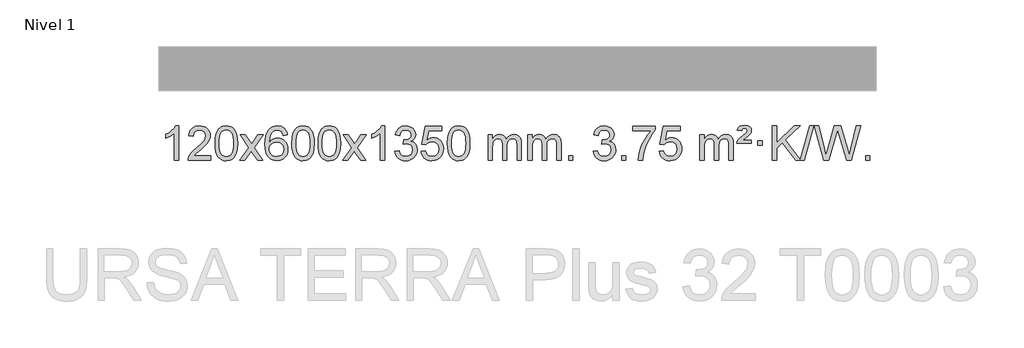
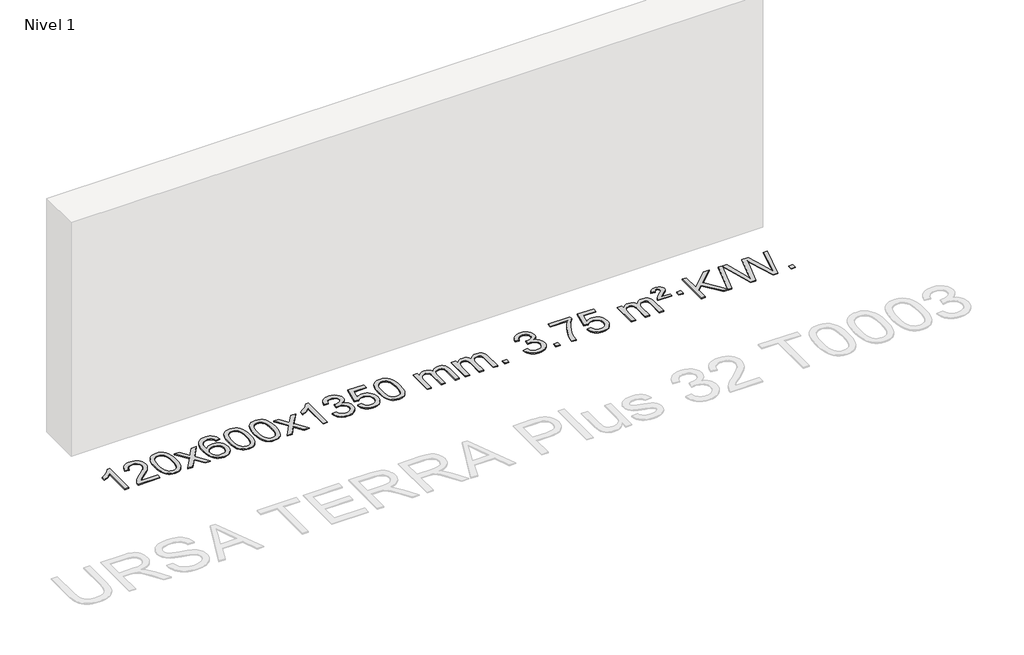
# One storey, part 3 of 15: 1 proxy.
"""IFC4 building model written with IfcOpenShell, lengths in millimetres."""

from ifc_helpers import new_model, si_unit, origin, origin_with_axes, place, context, project, spatial, polyline, outline, extrude, element, save

model = new_model("IFC4")

# Units and contexts
model_context = context("Model", 3, world=origin())
ifc_project = project(units=[si_unit("LENGTHUNIT", "METRE", prefix="MILLI")], contexts=[model_context])

# Site, building, storey
site = spatial("IfcSite", under=ifc_project)
building = spatial("IfcBuilding", under=site)
storey = spatial("IfcBuildingStorey", under=building, Name="Nivel 1", Elevation=0.0)

# Proxy
placement = place(None, origin())
element("IfcBuildingElementProxy", 1, Name="Texto de modelo 1", ObjectType="Texto de modelo 1", at=placement, inside=storey, context=model_context, shape_type="SweptSolid", body=[
    extrude(outline(polyline([(-25945.4422492, -12784.6168569), (-25995.6704043, -12784.6168569), (-25995.6704043, -12471.4757026), (-26016.639678, -12488.4350626), (-26043.249809, -12505.3698971), (-26096.1267145, -12530.7292293), (-26096.1267145, -12483.2479264), (-26056.6775018, -12461.7881434), (-26022.5012645, -12436.2571329), (-25995.5600397, -12409.1074417), (-25977.8158648, -12382.7916163), (-25945.4422492, -12382.7916163), (-25945.4422492, -12784.6168569)])), origin_with_axes(), (0.0, 0.0, 1.0), 10.0),
    extrude(outline(polyline([(-25568.7310862, -12734.3887018), (-25568.7310862, -12784.6168569), (-25832.4289003, -12784.6168569), (-25831.3252543, -12766.9339956), (-25827.0332977, -12749.9868984), (-25814.6479372, -12722.9230463), (-25796.5236176, -12696.6685346), (-25770.3058941, -12669.1877495), (-25733.6403219, -12638.4450775), (-25679.4390413, -12590.301587), (-25646.9182729, -12554.7641863), (-25630.6578887, -12525.9222379), (-25625.2377606, -12497.8651044), (-25630.3513204, -12472.7142386), (-25645.6919996, -12451.8062786), (-25669.2732355, -12437.7163982), (-25699.1084653, -12433.0197713), (-25730.4397485, -12437.6060336), (-25754.7812739, -12451.3648202), (-25770.4898351, -12473.2170107), (-25775.9222259, -12502.0834846), (-25826.1503809, -12495.8049652), (-25821.8308332, -12469.8754159), (-25813.9734869, -12447.2200164), (-25802.5783421, -12427.8387666), (-25787.6453988, -12411.7316666), (-25769.5180135, -12399.0703946), (-25748.5395427, -12390.0266288), (-25724.7099864, -12384.6003694), (-25698.0293447, -12382.7916163), (-25671.1095797, -12384.8027045), (-25647.1512648, -12390.8359692), (-25626.1543999, -12400.8914104), (-25608.1189851, -12414.9690281), (-25593.6336316, -12432.02649), (-25583.2869504, -12451.0214636), (-25577.0789418, -12471.9539492), (-25575.0096056, -12494.8239465), (-25577.241423, -12518.8466408), (-25583.9368753, -12542.4524022), (-25595.8194638, -12566.4628337), (-25613.6126896, -12591.6995386), (-25641.9763914, -12621.829074), (-25685.5704078, -12660.5179972), (-25743.3524066, -12708.8331659), (-25766.0139375, -12734.3887018), (-25568.7310862, -12734.3887018)])), origin_with_axes(), (0.0, 0.0, 1.0), 10.0),
    extrude(outline(polyline([(-25518.5029311, -12586.9415981), (-25514.8118484, -12522.6235626), (-25503.7386004, -12471.3285498), (-25485.3935515, -12432.2717446), (-25473.5354886, -12417.0383643), (-25459.8870665, -12404.6683323), (-25444.4023002, -12395.097269), (-25427.0352044, -12388.2607953), (-25386.654024, -12382.7916163), (-25355.7028855, -12386.0289778), (-25327.9891085, -12395.7410625), (-25304.8125428, -12411.5477256), (-25287.4730381, -12433.0688223), (-25274.3764391, -12460.1204117), (-25263.9285904, -12492.5185527), (-25257.0859853, -12533.6600225), (-25254.805117, -12586.9415981), (-25258.4594114, -12650.8917516), (-25269.4222949, -12702.0641372), (-25287.6569791, -12741.1577305), (-25299.487451, -12756.437096), (-25313.1266759, -12768.8715075), (-25328.6298363, -12778.5069501), (-25346.0521145, -12785.3894091), (-25386.654024, -12790.8953763), (-25414.3187501, -12788.5041433), (-25438.8442164, -12781.3304444), (-25460.2304231, -12769.3742795), (-25478.47737, -12752.6356488), (-25495.988553, -12722.3773547), (-25508.4965408, -12684.6755815), (-25516.0013335, -12639.5303293), (-25518.5029311, -12586.9415981)]), holes=[polyline([(-25468.274776, -12586.8434963), (-25466.803248, -12630.5080234), (-25462.3886641, -12665.8522861), (-25455.0310242, -12692.8762843), (-25444.7303283, -12711.5800181), (-25432.2713914, -12724.3056694), (-25418.4390284, -12733.3954204), (-25403.2332393, -12738.849271), (-25386.654024, -12740.6672212), (-25370.0748088, -12738.8431396), (-25354.8690196, -12733.3708949), (-25341.0366566, -12724.2504871), (-25328.5777197, -12711.4819162), (-25318.2770239, -12692.7475256), (-25310.919384, -12665.7296588), (-25306.5048, -12630.4283156), (-25305.033272, -12586.8434963), (-25306.4557491, -12544.3347317), (-25310.7231802, -12509.6128027), (-25317.8355655, -12482.6777093), (-25327.7929048, -12463.5294515), (-25340.0433752, -12450.1814664), (-25354.0351538, -12440.6471914), (-25369.7682404, -12434.9266264), (-25387.2426352, -12433.0197713), (-25403.7360113, -12434.6997658), (-25418.6842831, -12439.7397491), (-25432.0874504, -12448.1397213), (-25443.9455134, -12459.8996825), (-25454.5895658, -12480.7463289), (-25462.1924604, -12508.8525133), (-25466.7541971, -12544.2182358), (-25468.274776, -12586.8434963)])]), origin_with_axes(), (0.0, 0.0, 1.0), 10.0),
    extrude(outline(polyline([(-25229.6910394, -12784.6168569), (-25122.3675987, -12636.2868364), (-25223.41252, -12489.5264458), (-25162.981771, -12489.5264458), (-25114.2251439, -12560.1597889), (-25091.4655111, -12593.5144231), (-25071.7470362, -12566.2421045), (-25016.2213804, -12489.5264458), (-24955.7906313, -12489.5264458), (-25061.9368496, -12636.2868364), (-24959.7147059, -12784.6168569), (-25020.145455, -12784.6168569), (-25081.6553246, -12695.4422612), (-25092.9370391, -12679.1573516), (-25169.2602903, -12784.6168569), (-25229.6910394, -12784.6168569)])), origin_with_axes(), (0.0, 0.0, 1.0), 10.0),
    extrude(outline(polyline([(-24670.9028142, -12489.5264458), (-24721.1309693, -12495.8049652), (-24729.2243732, -12470.9116168), (-24740.1627312, -12453.9154687), (-24762.9468894, -12438.2436957), (-24790.4889881, -12433.0197713), (-24813.8372321, -12436.0609292), (-24835.8120499, -12445.1844027), (-24854.6843963, -12464.4001055), (-24870.0986519, -12490.850821), (-24880.5097123, -12528.2644199), (-24884.3724733, -12580.3687731), (-24864.2248027, -12556.8611137), (-24840.0794811, -12540.2941611), (-24813.2854091, -12530.4717119), (-24785.1914874, -12527.1975621), (-24761.0584285, -12529.4355109), (-24738.7893051, -12536.1493573), (-24718.3841171, -12547.3391013), (-24699.8428645, -12563.004743), (-24684.4347403, -12582.2143145), (-24673.4289372, -12604.0358482), (-24666.8254554, -12628.469344), (-24664.6242948, -12655.514802), (-24668.7690986, -12691.4813984), (-24681.2035101, -12724.8237699), (-24700.8974596, -12753.1016326), (-24726.8208775, -12773.8747026), (-24757.7965415, -12786.6402078), (-24792.6472291, -12790.8953763), (-24822.5897579, -12788.0749476), (-24849.6321502, -12779.6136617), (-24873.7744061, -12765.5115186), (-24895.0165257, -12745.7685182), (-24912.3345706, -12719.5507947), (-24924.7046027, -12686.0244822), (-24932.1266219, -12645.1895807), (-24934.6006284, -12597.0460903), (-24931.8537761, -12543.0716702), (-24923.6132194, -12497.006713), (-24909.8789583, -12458.8512188), (-24890.6509927, -12428.6051874), (-24869.8104776, -12408.56175), (-24845.6467619, -12394.2450091), (-24818.1598455, -12385.6549645), (-24787.3497284, -12382.7916163), (-24764.2160823, -12384.5635812), (-24743.2774654, -12389.879476), (-24724.5338777, -12398.7393008), (-24707.9853193, -12411.1430554), (-24694.0793799, -12426.6738069), (-24683.2636492, -12444.9146225), (-24675.5381274, -12465.8655021), (-24670.9028142, -12489.5264458)]), holes=[polyline([(-24884.3724733, -12654.7299871), (-24881.4662055, -12676.9868478), (-24872.7474022, -12698.2381644), (-24859.2093448, -12716.5096368), (-24841.8453146, -12729.8269651), (-24820.8883036, -12737.9571571), (-24796.5713038, -12740.6672212), (-24763.425136, -12735.0508894), (-24749.5099995, -12728.0304746), (-24737.366828, -12718.201894), (-24727.5167876, -12705.9636863), (-24720.4810444, -12691.7143904), (-24714.8524499, -12657.1825337), (-24720.407468, -12624.036366), (-24727.3512407, -12610.4155351), (-24737.0725224, -12598.7628729), (-24749.2524821, -12589.4278673), (-24763.5722888, -12582.7600061), (-24798.6314429, -12577.4257172), (-24831.7285598, -12582.7600061), (-24859.4055485, -12598.7628729), (-24870.3285781, -12610.2622509), (-24878.1307421, -12623.4232293), (-24882.8120405, -12638.245808), (-24884.3724733, -12654.7299871)])]), origin_with_axes(), (0.0, 0.0, 1.0), 10.0),
    extrude(outline(polyline([(-24620.6746591, -12586.9415981), (-24616.9835765, -12522.6235626), (-24605.9103284, -12471.3285498), (-24587.5652796, -12432.2717446), (-24575.7072166, -12417.0383643), (-24562.0587946, -12404.6683323), (-24546.5740283, -12395.097269), (-24529.2069324, -12388.2607953), (-24488.8257521, -12382.7916163), (-24457.8746135, -12386.0289778), (-24430.1608366, -12395.7410625), (-24406.9842709, -12411.5477256), (-24389.6447662, -12433.0688223), (-24376.5481671, -12460.1204117), (-24366.1003185, -12492.5185527), (-24359.2577134, -12533.6600225), (-24356.976845, -12586.9415981), (-24360.6311395, -12650.8917516), (-24371.5940229, -12702.0641372), (-24389.8287072, -12741.1577305), (-24401.659179, -12756.437096), (-24415.298404, -12768.8715075), (-24430.8015644, -12778.5069501), (-24448.2238425, -12785.3894091), (-24488.8257521, -12790.8953763), (-24516.4904781, -12788.5041433), (-24541.0159444, -12781.3304444), (-24562.4021511, -12769.3742795), (-24580.6490981, -12752.6356488), (-24598.160281, -12722.3773547), (-24610.6682689, -12684.6755815), (-24618.1730616, -12639.5303293), (-24620.6746591, -12586.9415981)]), holes=[polyline([(-24570.4465041, -12586.8434963), (-24568.9749761, -12630.5080234), (-24564.5603921, -12665.8522861), (-24557.2027522, -12692.8762843), (-24546.9020564, -12711.5800181), (-24534.4431195, -12724.3056694), (-24520.6107564, -12733.3954204), (-24505.4049673, -12738.849271), (-24488.8257521, -12740.6672212), (-24472.2465368, -12738.8431396), (-24457.0407477, -12733.3708949), (-24443.2083847, -12724.2504871), (-24430.7494478, -12711.4819162), (-24420.4487519, -12692.7475256), (-24413.091112, -12665.7296588), (-24408.676528, -12630.4283156), (-24407.2050001, -12586.8434963), (-24408.6274771, -12544.3347317), (-24412.8949083, -12509.6128027), (-24420.0072935, -12482.6777093), (-24429.9646328, -12463.5294515), (-24442.2151033, -12450.1814664), (-24456.2068818, -12440.6471914), (-24471.9399685, -12434.9266264), (-24489.4143633, -12433.0197713), (-24505.9077394, -12434.6997658), (-24520.8560111, -12439.7397491), (-24534.2591785, -12448.1397213), (-24546.1172414, -12459.8996825), (-24556.7612938, -12480.7463289), (-24564.3641884, -12508.8525133), (-24568.9259251, -12544.2182358), (-24570.4465041, -12586.8434963)])]), origin_with_axes(), (0.0, 0.0, 1.0), 10.0),
    extrude(outline(polyline([(-24313.0272093, -12586.9415981), (-24309.3361266, -12522.6235626), (-24298.2628786, -12471.3285498), (-24279.9178297, -12432.2717446), (-24268.0597668, -12417.0383643), (-24254.4113447, -12404.6683323), (-24238.9265784, -12395.097269), (-24221.5594826, -12388.2607953), (-24181.1783022, -12382.7916163), (-24150.2271637, -12386.0289778), (-24122.5133867, -12395.7410625), (-24099.336821, -12411.5477256), (-24081.9973163, -12433.0688223), (-24068.9007173, -12460.1204117), (-24058.4528686, -12492.5185527), (-24051.6102635, -12533.6600225), (-24049.3293952, -12586.9415981), (-24052.9836896, -12650.8917516), (-24063.9465731, -12702.0641372), (-24082.1812573, -12741.1577305), (-24094.0117292, -12756.437096), (-24107.6509541, -12768.8715075), (-24123.1541145, -12778.5069501), (-24140.5763927, -12785.3894091), (-24181.1783022, -12790.8953763), (-24208.8430283, -12788.5041433), (-24233.3684946, -12781.3304444), (-24254.7547013, -12769.3742795), (-24273.0016482, -12752.6356488), (-24290.5128312, -12722.3773547), (-24303.020819, -12684.6755815), (-24310.5256117, -12639.5303293), (-24313.0272093, -12586.9415981)]), holes=[polyline([(-24262.7990542, -12586.8434963), (-24261.3275262, -12630.5080234), (-24256.9129423, -12665.8522861), (-24249.5553024, -12692.8762843), (-24239.2546065, -12711.5800181), (-24226.7956696, -12724.3056694), (-24212.9633066, -12733.3954204), (-24197.7575175, -12738.849271), (-24181.1783022, -12740.6672212), (-24164.599087, -12738.8431396), (-24149.3932978, -12733.3708949), (-24135.5609348, -12724.2504871), (-24123.1019979, -12711.4819162), (-24112.8013021, -12692.7475256), (-24105.4436622, -12665.7296588), (-24101.0290782, -12630.4283156), (-24099.5575502, -12586.8434963), (-24100.9800273, -12544.3347317), (-24105.2474584, -12509.6128027), (-24112.3598437, -12482.6777093), (-24122.317183, -12463.5294515), (-24134.5676534, -12450.1814664), (-24148.559432, -12440.6471914), (-24164.2925187, -12434.9266264), (-24181.7669134, -12433.0197713), (-24198.2602895, -12434.6997658), (-24213.2085613, -12439.7397491), (-24226.6117286, -12448.1397213), (-24238.4697916, -12459.8996825), (-24249.113844, -12480.7463289), (-24256.7167386, -12508.8525133), (-24261.2784753, -12544.2182358), (-24262.7990542, -12586.8434963)])]), origin_with_axes(), (0.0, 0.0, 1.0), 10.0),
    extrude(outline(polyline([(-24024.2153176, -12784.6168569), (-23916.8918769, -12636.2868364), (-24017.9367982, -12489.5264458), (-23957.5060492, -12489.5264458), (-23908.7494221, -12560.1597889), (-23885.9897893, -12593.5144231), (-23866.2713144, -12566.2421045), (-23810.7456586, -12489.5264458), (-23750.3149095, -12489.5264458), (-23856.4611278, -12636.2868364), (-23754.2389841, -12784.6168569), (-23814.6697332, -12784.6168569), (-23876.1796028, -12695.4422612), (-23887.4613173, -12679.1573516), (-23963.7845685, -12784.6168569), (-24024.2153176, -12784.6168569)])), origin_with_axes(), (0.0, 0.0, 1.0), 10.0),
    extrude(outline(polyline([(-23534.4908056, -12784.6168569), (-23584.7189607, -12784.6168569), (-23584.7189607, -12471.4757026), (-23605.6882344, -12488.4350626), (-23632.2983654, -12505.3698971), (-23685.1752709, -12530.7292293), (-23685.1752709, -12483.2479264), (-23645.7260583, -12461.7881434), (-23611.5498209, -12436.2571329), (-23584.6085961, -12409.1074417), (-23566.8644212, -12382.7916163), (-23534.4908056, -12382.7916163), (-23534.4908056, -12784.6168569)])), origin_with_axes(), (0.0, 0.0, 1.0), 10.0),
    extrude(outline(polyline([(-23415.1989373, -12677.8820273), (-23364.9707823, -12671.603508), (-23353.7258559, -12703.1677831), (-23337.2570053, -12724.4804134), (-23314.7548899, -12736.6205192), (-23285.4101694, -12740.6672212), (-23250.9764147, -12735.0999403), (-23236.7025933, -12728.1408392), (-23224.3908092, -12718.3980977), (-23207.394661, -12693.4802239), (-23201.7292783, -12663.2648494), (-23207.3456101, -12634.5823165), (-23224.1946054, -12611.3199117), (-23249.7010904, -12595.9056561), (-23281.2898911, -12590.7675709), (-23316.5084608, -12596.2612753), (-23310.9166544, -12546.0331203), (-23302.8723015, -12546.6217315), (-23272.7795543, -12543.0164879), (-23245.8751177, -12532.2007572), (-23234.8018696, -12524.0215142), (-23226.8924067, -12513.9047594), (-23222.146729, -12501.8504926), (-23220.5648364, -12487.8587141), (-23225.1510986, -12466.1659391), (-23238.9098853, -12448.568917), (-23259.9036844, -12436.9070578), (-23286.1949844, -12433.0197713), (-23312.5353352, -12436.943846), (-23334.0686947, -12448.7160698), (-23349.7895186, -12468.3364429), (-23358.6922629, -12495.8049652), (-23408.920418, -12489.5264458), (-23402.966861, -12465.5466711), (-23394.1315618, -12444.4241132), (-23382.4145202, -12426.1587721), (-23367.8157364, -12410.7506479), (-23350.7950627, -12398.5185716), (-23331.8123518, -12389.7813742), (-23310.8676035, -12384.5390557), (-23287.9608179, -12382.7916163), (-23256.38428, -12386.2374443), (-23227.3829161, -12396.5749284), (-23202.9310261, -12412.8843635), (-23185.0029102, -12434.2460447), (-23174.0032386, -12458.8573501), (-23170.3366814, -12484.9156581), (-23173.8192976, -12509.1958698), (-23184.2671462, -12531.2197386), (-23201.5330745, -12549.9817203), (-23225.4699297, -12564.476271), (-23194.0282818, -12577.1804625), (-23170.7290888, -12598.8119238), (-23156.3081146, -12628.1934325), (-23151.5011232, -12664.1477662), (-23153.9046189, -12689.6297257), (-23161.115106, -12713.100597), (-23173.1325845, -12734.5603801), (-23189.9570544, -12754.0090749), (-23210.4542129, -12770.1468317), (-23233.4897572, -12781.6738009), (-23259.0636872, -12788.5899824), (-23287.176003, -12790.8953763), (-23312.5843862, -12788.9272076), (-23335.7364264, -12783.0227016), (-23356.6321237, -12773.1818582), (-23375.2714781, -12759.4046775), (-23390.9003316, -12742.5004998), (-23402.7645259, -12723.2786655), (-23410.8640612, -12701.7391747), (-23415.1989373, -12677.8820273)])), origin_with_axes(), (0.0, 0.0, 1.0), 10.0),
    extrude(outline(polyline([(-23107.5514875, -12677.8820273), (-23057.3233324, -12671.603508), (-23048.1017571, -12701.7575688), (-23032.0130512, -12723.3522419), (-23009.1307911, -12736.3384764), (-22979.5285532, -12740.6672212), (-22960.3986894, -12739.1619707), (-22943.5251686, -12734.6462192), (-22928.9079907, -12727.1199667), (-22916.5471556, -12716.5832132), (-22906.718575, -12703.5571249), (-22899.6981602, -12688.5628679), (-22894.0818284, -12652.6698479), (-22899.342541, -12618.8737553), (-22905.9184316, -12604.9555532), (-22915.1246786, -12593.0239138), (-22926.9919386, -12583.4528505), (-22941.5508686, -12576.6163768), (-22978.7437383, -12571.1471978), (-23003.1097891, -12573.3299643), (-23022.8405268, -12579.8782638), (-23038.5981389, -12589.9091796), (-23051.044813, -12602.5397947), (-23101.2729681, -12596.2612753), (-23057.3233324, -12389.0701357), (-22862.6892315, -12389.0701357), (-22862.6892315, -12439.2982907), (-23016.7091602, -12439.2982907), (-23038.1934687, -12549.9571949), (-23020.4676879, -12537.2530033), (-23002.3127114, -12528.1785808), (-22983.7285393, -12522.7339272), (-22964.7151715, -12520.9190427), (-22940.2540845, -12523.1692543), (-22917.7856917, -12529.9198889), (-22897.3099929, -12541.1709466), (-22878.8269884, -12556.9224273), (-22863.5261631, -12576.2117066), (-22852.5970021, -12598.0761598), (-22846.0395056, -12622.5157871), (-22843.8536734, -12649.5305882), (-22845.821842, -12675.552108), (-22851.7263481, -12699.7587433), (-22861.5671914, -12722.1504941), (-22875.3443722, -12742.7273604), (-22896.215544, -12763.8008673), (-22920.5693321, -12778.8533723), (-22948.4057364, -12787.8848753), (-22979.7247569, -12790.8953763), (-23005.6451092, -12788.9609301), (-23029.0577325, -12783.1575916), (-23049.9626268, -12773.4853608), (-23068.3597923, -12759.9442377), (-23083.666749, -12743.2086726), (-23095.3010171, -12723.9531159), (-23103.2625966, -12702.1775674), (-23107.5514875, -12677.8820273)])), origin_with_axes(), (0.0, 0.0, 1.0), 10.0),
    extrude(outline(polyline([(-22799.9040377, -12586.9415981), (-22796.212955, -12522.6235626), (-22785.1397069, -12471.3285498), (-22766.7946581, -12432.2717446), (-22754.9365951, -12417.0383643), (-22741.2881731, -12404.6683323), (-22725.8034068, -12395.097269), (-22708.4363109, -12388.2607953), (-22668.0551306, -12382.7916163), (-22637.1039921, -12386.0289778), (-22609.3902151, -12395.7410625), (-22586.2136494, -12411.5477256), (-22568.8741447, -12433.0688223), (-22555.7775457, -12460.1204117), (-22545.329697, -12492.5185527), (-22538.4870919, -12533.6600225), (-22536.2062235, -12586.9415981), (-22539.860518, -12650.8917516), (-22550.8234015, -12702.0641372), (-22569.0580857, -12741.1577305), (-22580.8885575, -12756.437096), (-22594.5277825, -12768.8715075), (-22610.0309429, -12778.5069501), (-22627.4532211, -12785.3894091), (-22668.0551306, -12790.8953763), (-22695.7198566, -12788.5041433), (-22720.245323, -12781.3304444), (-22741.6315296, -12769.3742795), (-22759.8784766, -12752.6356488), (-22777.3896596, -12722.3773547), (-22789.8976474, -12684.6755815), (-22797.4024401, -12639.5303293), (-22799.9040377, -12586.9415981)]), holes=[polyline([(-22749.6758826, -12586.8434963), (-22748.2043546, -12630.5080234), (-22743.7897707, -12665.8522861), (-22736.4321308, -12692.8762843), (-22726.1314349, -12711.5800181), (-22713.672498, -12724.3056694), (-22699.840135, -12733.3954204), (-22684.6343459, -12738.849271), (-22668.0551306, -12740.6672212), (-22651.4759154, -12738.8431396), (-22636.2701262, -12733.3708949), (-22622.4377632, -12724.2504871), (-22609.9788263, -12711.4819162), (-22599.6781304, -12692.7475256), (-22592.3204905, -12665.7296588), (-22587.9059066, -12630.4283156), (-22586.4343786, -12586.8434963), (-22587.8568557, -12544.3347317), (-22592.1242868, -12509.6128027), (-22599.236672, -12482.6777093), (-22609.1940114, -12463.5294515), (-22621.4444818, -12450.1814664), (-22635.4362604, -12440.6471914), (-22651.169347, -12434.9266264), (-22668.6437418, -12433.0197713), (-22685.1371179, -12434.6997658), (-22700.0853897, -12439.7397491), (-22713.488557, -12448.1397213), (-22725.34662, -12459.8996825), (-22735.9906724, -12480.7463289), (-22743.5935669, -12508.8525133), (-22748.1553037, -12544.2182358), (-22749.6758826, -12586.8434963)])]), origin_with_axes(), (0.0, 0.0, 1.0), 10.0),
    extrude(outline(polyline([(-22322.7365645, -12784.6168569), (-22322.7365645, -12489.5264458), (-22272.5084094, -12489.5264458), (-22272.5084094, -12538.0868692), (-22257.4007221, -12515.7809575), (-22237.9765528, -12498.3065628), (-22214.8980889, -12487.0125855), (-22188.8275182, -12483.2479264), (-22160.8930121, -12487.0861619), (-22138.5012613, -12498.6008684), (-22121.7748932, -12517.0317563), (-22110.8365352, -12541.6185363), (-22092.5282746, -12516.0813945), (-22071.64484, -12497.8405789), (-22048.1862315, -12486.8960895), (-22022.1524489, -12483.2479264), (-22002.0446322, -12484.7654397), (-21984.3954935, -12489.3179793), (-21969.2050328, -12496.9055455), (-21956.4732501, -12507.5281381), (-21946.4086118, -12521.3083845), (-21939.2195845, -12538.368912), (-21934.9061681, -12558.7097207), (-21933.4683626, -12582.3308105), (-21933.4683626, -12784.6168569), (-21983.6965177, -12784.6168569), (-21983.6965177, -12603.9132208), (-21984.8614774, -12578.860457), (-21988.3563563, -12561.9746734), (-21994.9046558, -12550.410916), (-22005.2298772, -12541.3242307), (-22018.5104172, -12535.4381188), (-22033.9246728, -12533.4760815), (-22061.1356777, -12538.5038021), (-22083.318962, -12553.5869639), (-22091.924335, -12565.1568526), (-22098.07103, -12579.7556365), (-22102.988386, -12618.0398895), (-22102.988386, -12784.6168569), (-22153.2165411, -12784.6168569), (-22153.2165411, -12598.3214145), (-22156.1228088, -12569.9209245), (-22164.8416121, -12549.6628893), (-22180.1822913, -12537.5227834), (-22202.9541868, -12533.4760815), (-22222.3047798, -12536.1738828), (-22240.1347938, -12544.2672867), (-22254.8500736, -12557.5600894), (-22264.8564639, -12575.8560873), (-22270.595423, -12601.239945), (-22272.5084094, -12635.7963271), (-22272.5084094, -12784.6168569), (-22322.7365645, -12784.6168569)])), origin_with_axes(), (0.0, 0.0, 1.0), 10.0),
    extrude(outline(polyline([(-21858.12613, -12784.6168569), (-21858.12613, -12489.5264458), (-21807.8979749, -12489.5264458), (-21807.8979749, -12538.0868692), (-21792.7902877, -12515.7809575), (-21773.3661183, -12498.3065628), (-21750.2876545, -12487.0125855), (-21724.2170838, -12483.2479264), (-21696.2825776, -12487.0861619), (-21673.8908268, -12498.6008684), (-21657.1644588, -12517.0317563), (-21646.2261008, -12541.6185363), (-21627.9178402, -12516.0813945), (-21607.0344056, -12497.8405789), (-21583.575797, -12486.8960895), (-21557.5420145, -12483.2479264), (-21537.4341978, -12484.7654397), (-21519.7850591, -12489.3179793), (-21504.5945983, -12496.9055455), (-21491.8628156, -12507.5281381), (-21481.7981774, -12521.3083845), (-21474.6091501, -12538.368912), (-21470.2957337, -12558.7097207), (-21468.8579282, -12582.3308105), (-21468.8579282, -12784.6168569), (-21519.0860833, -12784.6168569), (-21519.0860833, -12603.9132208), (-21520.2510429, -12578.860457), (-21523.7459219, -12561.9746734), (-21530.2942214, -12550.410916), (-21540.6194427, -12541.3242307), (-21553.8999827, -12535.4381188), (-21569.3142383, -12533.4760815), (-21596.5252433, -12538.5038021), (-21618.7085276, -12553.5869639), (-21627.3139006, -12565.1568526), (-21633.4605956, -12579.7556365), (-21638.3779516, -12618.0398895), (-21638.3779516, -12784.6168569), (-21688.6061066, -12784.6168569), (-21688.6061066, -12598.3214145), (-21691.5123744, -12569.9209245), (-21700.2311777, -12549.6628893), (-21715.5718569, -12537.5227834), (-21738.3437524, -12533.4760815), (-21757.6943453, -12536.1738828), (-21775.5243594, -12544.2672867), (-21790.2396392, -12557.5600894), (-21800.2460294, -12575.8560873), (-21805.9849886, -12601.239945), (-21807.8979749, -12635.7963271), (-21807.8979749, -12784.6168569), (-21858.12613, -12784.6168569)])), origin_with_axes(), (0.0, 0.0, 1.0), 10.0),
    extrude(outline(polyline([(-21380.9586568, -12784.6168569), (-21380.9586568, -12734.3887018), (-21330.7305017, -12734.3887018), (-21330.7305017, -12784.6168569), (-21380.9586568, -12784.6168569)])), origin_with_axes(), (0.0, 0.0, 1.0), 10.0),
    extrude(outline(polyline([(-21092.1467651, -12677.8820273), (-21041.9186101, -12671.603508), (-21030.6736837, -12703.1677831), (-21014.2048331, -12724.4804134), (-20991.7027177, -12736.6205192), (-20962.3579972, -12740.6672212), (-20927.9242425, -12735.0999403), (-20913.6504211, -12728.1408392), (-20901.338637, -12718.3980977), (-20884.3424888, -12693.4802239), (-20878.6771061, -12663.2648494), (-20884.2934379, -12634.5823165), (-20901.1424332, -12611.3199117), (-20926.6489182, -12595.9056561), (-20958.2377189, -12590.7675709), (-20993.4562886, -12596.2612753), (-20987.8644822, -12546.0331203), (-20979.8201293, -12546.6217315), (-20949.7273821, -12543.0164879), (-20922.8229455, -12532.2007572), (-20911.7496974, -12524.0215142), (-20903.8402345, -12513.9047594), (-20899.0945568, -12501.8504926), (-20897.5126642, -12487.8587141), (-20902.0989264, -12466.1659391), (-20915.857713, -12448.568917), (-20936.8515122, -12436.9070578), (-20963.1428122, -12433.0197713), (-20989.483163, -12436.943846), (-21011.0165225, -12448.7160698), (-21026.7373464, -12468.3364429), (-21035.6400907, -12495.8049652), (-21085.8682457, -12489.5264458), (-21079.9146888, -12465.5466711), (-21071.0793895, -12444.4241132), (-21059.362348, -12426.1587721), (-21044.7635642, -12410.7506479), (-21027.7428905, -12398.5185716), (-21008.7601796, -12389.7813742), (-20987.8154313, -12384.5390557), (-20964.9086457, -12382.7916163), (-20933.3321078, -12386.2374443), (-20904.3307439, -12396.5749284), (-20879.8788539, -12412.8843635), (-20861.950738, -12434.2460447), (-20850.9510664, -12458.8573501), (-20847.2845091, -12484.9156581), (-20850.7671254, -12509.1958698), (-20861.214974, -12531.2197386), (-20878.4809023, -12549.9817203), (-20902.4177575, -12564.476271), (-20870.9761096, -12577.1804625), (-20847.6769166, -12598.8119238), (-20833.2559424, -12628.1934325), (-20828.448951, -12664.1477662), (-20830.8524467, -12689.6297257), (-20838.0629338, -12713.100597), (-20850.0804123, -12734.5603801), (-20866.9048822, -12754.0090749), (-20887.4020407, -12770.1468317), (-20910.437585, -12781.6738009), (-20936.011515, -12788.5899824), (-20964.1238308, -12790.8953763), (-20989.5322139, -12788.9272076), (-21012.6842542, -12783.0227016), (-21033.5799515, -12773.1818582), (-21052.2193059, -12759.4046775), (-21067.8481593, -12742.5004998), (-21079.7123537, -12723.2786655), (-21087.811889, -12701.7391747), (-21092.1467651, -12677.8820273)])), origin_with_axes(), (0.0, 0.0, 1.0), 10.0),
    extrude(outline(polyline([(-20759.3852378, -12784.6168569), (-20759.3852378, -12734.3887018), (-20709.1570827, -12734.3887018), (-20709.1570827, -12784.6168569), (-20759.3852378, -12784.6168569)])), origin_with_axes(), (0.0, 0.0, 1.0), 10.0),
    extrude(outline(polyline([(-20627.5363307, -12439.2982907), (-20627.5363307, -12389.0701357), (-20363.8385165, -12389.0701357), (-20363.8385165, -12429.6843079), (-20401.4237937, -12477.2514499), (-20438.6411889, -12537.7435126), (-20471.4685256, -12605.6422662), (-20495.8836273, -12675.4294807), (-20507.8520549, -12727.6441985), (-20514.5229818, -12784.6168569), (-20564.7511368, -12784.6168569), (-20559.3187461, -12732.8435974), (-20544.7874072, -12671.3092024), (-20521.5495279, -12606.0837246), (-20489.9975154, -12543.2372171), (-20453.160265, -12486.4239743), (-20414.0666716, -12439.2982907), (-20627.5363307, -12439.2982907)])), origin_with_axes(), (0.0, 0.0, 1.0), 10.0),
    extrude(outline(polyline([(-20319.8888809, -12677.8820273), (-20269.6607258, -12671.603508), (-20260.4391504, -12701.7575688), (-20244.3504445, -12723.3522419), (-20221.4681844, -12736.3384764), (-20191.8659465, -12740.6672212), (-20172.7360828, -12739.1619707), (-20155.8625619, -12734.6462192), (-20141.245384, -12727.1199667), (-20128.884549, -12716.5832132), (-20119.0559683, -12703.5571249), (-20112.0355536, -12688.5628679), (-20106.4192218, -12652.6698479), (-20111.6799343, -12618.8737553), (-20118.255825, -12604.9555532), (-20127.4620719, -12593.0239138), (-20139.3293319, -12583.4528505), (-20153.8882619, -12576.6163768), (-20191.0811316, -12571.1471978), (-20215.4471824, -12573.3299643), (-20235.1779201, -12579.8782638), (-20250.9355322, -12589.9091796), (-20263.3822064, -12602.5397947), (-20313.6103615, -12596.2612753), (-20269.6607258, -12389.0701357), (-20075.0266249, -12389.0701357), (-20075.0266249, -12439.2982907), (-20229.0465535, -12439.2982907), (-20250.530862, -12549.9571949), (-20232.8050812, -12537.2530033), (-20214.6501048, -12528.1785808), (-20196.0659326, -12522.7339272), (-20177.0525649, -12520.9190427), (-20152.5914779, -12523.1692543), (-20130.123085, -12529.9198889), (-20109.6473863, -12541.1709466), (-20091.1643817, -12556.9224273), (-20075.8635564, -12576.2117066), (-20064.9343955, -12598.0761598), (-20058.3768989, -12622.5157871), (-20056.1910667, -12649.5305882), (-20058.1592354, -12675.552108), (-20064.0637414, -12699.7587433), (-20073.9045848, -12722.1504941), (-20087.6817655, -12742.7273604), (-20108.5529374, -12763.8008673), (-20132.9067254, -12778.8533723), (-20160.7431297, -12787.8848753), (-20192.0621503, -12790.8953763), (-20217.9825025, -12788.9609301), (-20241.3951258, -12783.1575916), (-20262.3000202, -12773.4853608), (-20280.6971856, -12759.9442377), (-20296.0041423, -12743.2086726), (-20307.6384104, -12723.9531159), (-20315.5999899, -12702.1775674), (-20319.8888809, -12677.8820273)])), origin_with_axes(), (0.0, 0.0, 1.0), 10.0),
    extrude(outline(polyline([(-19842.7214076, -12784.6168569), (-19842.7214076, -12489.5264458), (-19792.4932526, -12489.5264458), (-19792.4932526, -12538.0868692), (-19777.3855653, -12515.7809575), (-19757.961396, -12498.3065628), (-19734.8829321, -12487.0125855), (-19708.8123614, -12483.2479264), (-19680.8778552, -12487.0861619), (-19658.4861045, -12498.6008684), (-19641.7597364, -12517.0317563), (-19630.8213784, -12541.6185363), (-19612.5131178, -12516.0813945), (-19591.6296832, -12497.8405789), (-19568.1710746, -12486.8960895), (-19542.1372921, -12483.2479264), (-19522.0294754, -12484.7654397), (-19504.3803367, -12489.3179793), (-19489.189876, -12496.9055455), (-19476.4580932, -12507.5281381), (-19466.393455, -12521.3083845), (-19459.2044277, -12538.368912), (-19454.8910113, -12558.7097207), (-19453.4532058, -12582.3308105), (-19453.4532058, -12784.6168569), (-19503.6813609, -12784.6168569), (-19503.6813609, -12603.9132208), (-19504.8463205, -12578.860457), (-19508.3411995, -12561.9746734), (-19514.889499, -12550.410916), (-19525.2147203, -12541.3242307), (-19538.4952604, -12535.4381188), (-19553.909516, -12533.4760815), (-19581.1205209, -12538.5038021), (-19603.3038052, -12553.5869639), (-19611.9091782, -12565.1568526), (-19618.0558732, -12579.7556365), (-19622.9732292, -12618.0398895), (-19622.9732292, -12784.6168569), (-19673.2013843, -12784.6168569), (-19673.2013843, -12598.3214145), (-19676.107652, -12569.9209245), (-19684.8264553, -12549.6628893), (-19700.1671345, -12537.5227834), (-19722.93903, -12533.4760815), (-19742.289623, -12536.1738828), (-19760.119637, -12544.2672867), (-19774.8349168, -12557.5600894), (-19784.8413071, -12575.8560873), (-19790.5802662, -12601.239945), (-19792.4932526, -12635.7963271), (-19792.4932526, -12784.6168569), (-19842.7214076, -12784.6168569)])), origin_with_axes(), (0.0, 0.0, 1.0), 10.0),
    extrude(outline(polyline([(-19409.5035701, -12583.7042366), (-19405.6775974, -12567.8853108), (-19397.3389388, -12552.0173341), (-19375.8301048, -12526.878731), (-19343.8734222, -12499.1404286), (-19299.7275828, -12461.7636179), (-19292.5906721, -12450.2366487), (-19290.2117018, -12438.4153739), (-19292.1001627, -12426.324319), (-19297.7655455, -12416.538658), (-19307.1342736, -12410.0639348), (-19320.1327708, -12407.9056938), (-19332.5671822, -12409.5243746), (-19341.4208756, -12414.3804169), (-19347.8465477, -12423.8472469), (-19352.9968957, -12439.2982907), (-19403.2250507, -12433.0197713), (-19392.3847946, -12407.8075919), (-19375.7565284, -12390.247358), (-19351.9913515, -12379.9466622), (-19319.7403633, -12376.5130969), (-19283.9577079, -12380.645638), (-19259.2115124, -12393.0432612), (-19244.7905382, -12411.3760473), (-19239.9835467, -12433.3140769), (-19244.0792996, -12456.2208625), (-19256.3665583, -12477.8523238), (-19276.8943736, -12497.6689006), (-19313.3637421, -12525.7260341), (-19338.9683289, -12552.3116396), (-19239.9835467, -12552.3116396), (-19239.9835467, -12583.7042366), (-19409.5035701, -12583.7042366)])), origin_with_axes(), (0.0, 0.0, 1.0), 10.0),
    extrude(outline(polyline([(-19164.6413141, -12608.8183141), (-19164.6413141, -12558.590159), (-19114.4131591, -12558.590159), (-19114.4131591, -12608.8183141), (-19164.6413141, -12608.8183141)])), origin_with_axes(), (0.0, 0.0, 1.0), 10.0),
    extrude(outline(polyline([(-18723.7715311, -12784.6168569), (-18877.2028486, -12581.938403), (-18944.8931357, -12646.4894304), (-18944.8931357, -12784.6168569), (-18995.1212908, -12784.6168569), (-18995.1212908, -12382.7916163), (-18944.8931357, -12382.7916163), (-18944.8931357, -12579.4858564), (-18738.8792184, -12382.7916163), (-18668.6382828, -12382.7916163), (-18841.5918714, -12547.9951576), (-18666.9382616, -12778.5723371), (-18555.6249339, -12382.7916163), (-18510.301872, -12382.7916163), (-18623.315221, -12784.6168569), (-18662.3597634, -12784.6168569), (-18668.6382828, -12784.6168569), (-18723.7715311, -12784.6168569)])), origin_with_axes(), (0.0, 0.0, 1.0), 10.0),
    extrude(outline(polyline([(-18395.8169951, -12784.6168569), (-18505.3967788, -12382.7916163), (-18453.5989939, -12382.7916163), (-18390.0289851, -12646.8818379), (-18370.408612, -12728.404488), (-18349.4148128, -12656.299617), (-18269.7560981, -12382.7916163), (-18195.1005786, -12382.7916163), (-18137.220478, -12581.0554862), (-18112.4252315, -12654.6318852), (-18094.1537591, -12728.404488), (-18075.1219972, -12649.2362826), (-18010.9633773, -12382.7916163), (-17959.1655923, -12382.7916163), (-18068.8434778, -12784.6168569), (-18122.5051982, -12784.6168569), (-18218.84123, -12474.6149623), (-18232.2811856, -12431.3520396), (-18247.3888728, -12483.4441302), (-18335.1900423, -12784.6168569), (-18395.8169951, -12784.6168569)])), origin_with_axes(), (0.0, 0.0, 1.0), 10.0),
    extrude(outline(polyline([(-17902.6589179, -12784.6168569), (-17902.6589179, -12734.3887018), (-17852.4307628, -12734.3887018), (-17852.4307628, -12784.6168569), (-17902.6589179, -12784.6168569)])), origin_with_axes(), (0.0, 0.0, 1.0), 10.0),
])

save(model, "model.ifc")
